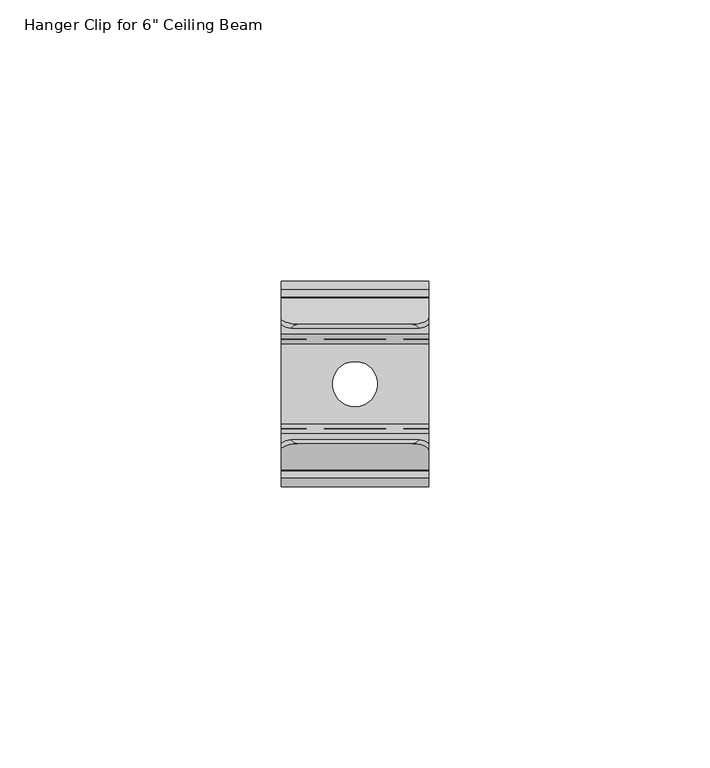
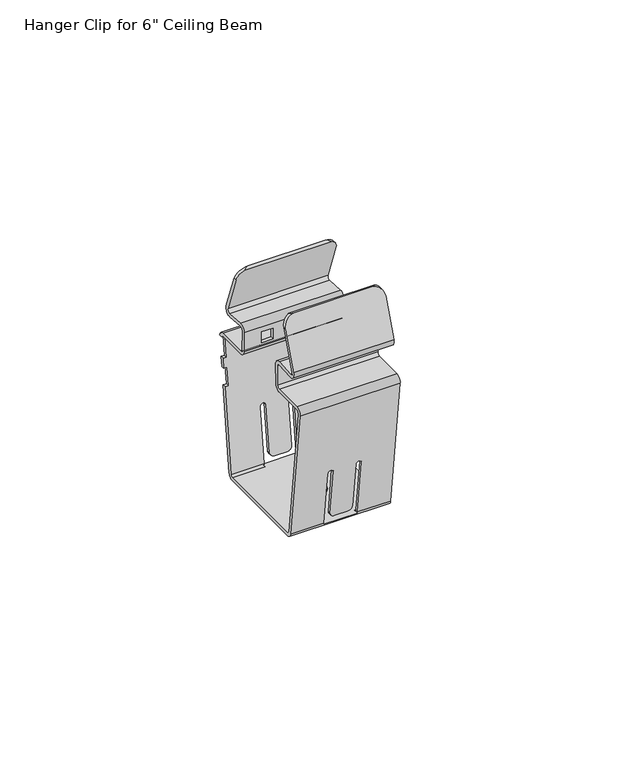
"""IFC4 building model written with IfcOpenShell, lengths in millimetres: proxy geometry."""

import ifcopenshell
import ifcopenshell.guid

model = None  # the IFC model being written
_history = None  # IfcOwnerHistory: only IFC2X3 demands one
_inside = {}  # id of a spatial element -> (the spatial element, [elements in it])
_under = {}  # id of a project, library or spatial element -> (it, [spatial elements below it])
_declared = {}  # id of a project -> (the project, [libraries it declares])
_typed = {}  # id of a type object -> (the type object, [elements of that type])
_made_of = {}  # id of a material, layer set ... -> (it, [elements and type objects made of it])


def new_model(schema):
    """Start an empty IFC model of exactly this schema.

    Asked for "IFC4X3", IfcOpenShell would pick the latest addendum, in which some entities
    have other attributes; the version numbers below select the first issue.
    IFC2X3 requires an IfcOwnerHistory on every rooted entity: one is made here for all.
    """
    global model, _history
    if schema == "IFC4X3":
        model = ifcopenshell.file(schema_version=(4, 3, 0, 0))
    else:
        model = ifcopenshell.file(schema=schema)
    _inside.clear()
    _under.clear()
    _declared.clear()
    _typed.clear()
    _made_of.clear()
    _history = None
    if model.schema == "IFC2X3":
        org = make("IfcOrganization", Name="unknown")
        user = make(
            "IfcPersonAndOrganization",
            ThePerson=make("IfcPerson", FamilyName="unknown"),
            TheOrganization=org,
        )
        app = make(
            "IfcApplication",
            ApplicationDeveloper=org,
            Version="unknown",
            ApplicationFullName="unknown",
            ApplicationIdentifier="unknown",
        )
        _history = make(
            "IfcOwnerHistory",
            OwningUser=user,
            OwningApplication=app,
            ChangeAction="ADDED",
            CreationDate=0,
        )
    return model


def make(cls, **values):
    """One entity of the class cls with the attributes given. An attribute that is None is left unset."""
    return model.create_entity(
        cls, **{name: value for name, value in values.items() if value is not None}
    )


def rooted(cls, **values):
    """An entity with a GlobalId (a new one), such as an element, a storey or a relation."""
    return make(cls, GlobalId=ifcopenshell.guid.new(), OwnerHistory=_history, **values)


def si_unit(unit_type, name, prefix=None):
    """IfcSIUnit, for example si_unit("LENGTHUNIT", "METRE", prefix="MILLI")."""
    return make("IfcSIUnit", UnitType=unit_type, Prefix=prefix, Name=name)


def assignment(units):
    """IfcUnitAssignment: the units of a project."""
    return None if units is None else make("IfcUnitAssignment", Units=units)


def point(xyz):
    """IfcCartesianPoint."""
    return None if xyz is None else make("IfcCartesianPoint", Coordinates=xyz)


def direction(xyz):
    """IfcDirection."""
    return None if xyz is None else make("IfcDirection", DirectionRatios=xyz)


def frame(location, z_axis=None, x_axis=None):
    """IfcAxis2Placement3D, a coordinate frame: its origin and axes. An axis left out is left unset."""
    return make(
        "IfcAxis2Placement3D",
        Location=point(location),
        Axis=direction(z_axis),
        RefDirection=direction(x_axis),
    )


def origin():
    """The frame at (0, 0, 0) with its axes left unset."""
    return frame((0.0, 0.0, 0.0))


def place(relative_to, where):
    """IfcLocalPlacement: puts the frame where relative to a parent placement (None: the world)."""
    return make(
        "IfcLocalPlacement", PlacementRelTo=relative_to, RelativePlacement=where
    )


def context(
    kind, dimensions, precision=None, world=None, true_north=None, identifier=None
):
    """IfcGeometricRepresentationContext, for example the 3D "Model" context."""
    return make(
        "IfcGeometricRepresentationContext",
        ContextIdentifier=identifier,
        ContextType=kind,
        CoordinateSpaceDimension=dimensions,
        Precision=precision,
        WorldCoordinateSystem=world,
        TrueNorth=true_north,
    )


def project(units=None, contexts=None):
    """IfcProject with its units and contexts."""
    return rooted(
        "IfcProject",
        Name="project",
        RepresentationContexts=contexts,
        UnitsInContext=assignment(units),
    )


def spatial(cls, under=None, at=None, **own):
    """A site, building, storey or space (cls), placed at a placement, below another one or the project."""
    s = rooted(cls, ObjectPlacement=at, **own)
    if under is not None:
        _under.setdefault(under.id(), (under, []))[1].append(s)
    return s


def polyline(points):
    """IfcPolyline through the points."""
    return make("IfcPolyline", Points=[point(p) for p in points])


def circle_curve(where, radius):
    """IfcCircle in the frame where."""
    return make("IfcCircle", Position=where, Radius=radius)


def ellipse_curve(where, semi_axis1, semi_axis2):
    """IfcEllipse in the frame where."""
    return make(
        "IfcEllipse", Position=where, SemiAxis1=semi_axis1, SemiAxis2=semi_axis2
    )


def shape(context_of_items, identifier, shape_type, items):
    """IfcShapeRepresentation: the items that make up one representation, for example the "Body"."""
    return make(
        "IfcShapeRepresentation",
        ContextOfItems=context_of_items,
        RepresentationIdentifier=identifier,
        RepresentationType=shape_type,
        Items=items,
    )


def source(mapping_origin, context_of_items, identifier, shape_type, items):
    """IfcRepresentationMap: a shape defined once, which mapped items show again and again."""
    return make(
        "IfcRepresentationMap",
        MappingOrigin=mapping_origin,
        MappedRepresentation=shape(context_of_items, identifier, shape_type, items),
    )


def transform(
    local_origin,
    x_axis=None,
    y_axis=None,
    z_axis=None,
    scale=None,
    scale2=None,
    scale3=None,
    uniform=True,
):
    """IfcCartesianTransformationOperator3D, or its non-uniform kind. x_axis, y_axis, z_axis: its Axis1, 2, 3."""
    if uniform:
        return make(
            "IfcCartesianTransformationOperator3D",
            Axis1=direction(x_axis),
            Axis2=direction(y_axis),
            LocalOrigin=point(local_origin),
            Scale=scale,
            Axis3=direction(z_axis),
        )
    return make(
        "IfcCartesianTransformationOperator3DnonUniform",
        Axis1=direction(x_axis),
        Axis2=direction(y_axis),
        LocalOrigin=point(local_origin),
        Scale=scale,
        Axis3=direction(z_axis),
        Scale2=scale2,
        Scale3=scale3,
    )


def mapped(mapping_source, mapping_target):
    """IfcMappedItem: shows the shape of a source again, moved by a transform."""
    return make(
        "IfcMappedItem", MappingSource=mapping_source, MappingTarget=mapping_target
    )


def made_of(thing, what):
    """Note that an element or type object is made of a material, layer set ...; save() writes the relation."""
    if what is not None:
        _made_of.setdefault(what.id(), (what, []))[1].append(thing)
    return thing


def element(
    cls,
    number,
    at=None,
    inside=None,
    cuts=None,
    type_object=None,
    material=None,
    context=None,
    identifier="Body",
    shape_type=None,
    held_by="IfcProductDefinitionShape",
    body=None,
    shapes=None,
    **own,
):
    """One element of the class cls, such as IfcWall. Its Tag is "e" and its number.

    at: its placement. inside: the storey or other place that contains it. cuts: it is an
    opening in that element (IfcRelVoidsElement). A single representation is given by context,
    identifier, shape_type and body (its items); several are given by shapes. held_by: the class
    of the entity that holds the representations. save() writes the other relations.
    """
    e = rooted(cls, Tag="e%d" % number, ObjectPlacement=at, **own)
    if body is not None:
        shapes = [shape(context, identifier, shape_type, body)]
    if shapes is not None:
        e.Representation = make(held_by, Representations=shapes)
    if inside is not None:
        _inside.setdefault(inside.id(), (inside, []))[1].append(e)
    if cuts is not None:
        rooted(
            "IfcRelVoidsElement", RelatingBuildingElement=cuts, RelatedOpeningElement=e
        )
    if type_object is not None:
        _typed.setdefault(type_object.id(), (type_object, []))[1].append(e)
    return made_of(e, material)


def aggregate(whole, parts):
    """IfcRelAggregates: a whole, such as a stair, and the parts it consists of."""
    return rooted("IfcRelAggregates", RelatingObject=whole, RelatedObjects=parts)


def save(model, path):
    """Write the relations noted so far, then the file.

    IfcRelAggregates (storeys below a building ...), IfcRelContainedInSpatialStructure (elements
    in a storey), IfcRelDefinesByType, IfcRelAssociatesMaterial and IfcRelDeclares: one each for
    every whole, place, type object, material and project.
    """
    for whole, parts in _under.values():
        aggregate(whole, parts)
    for where, things in _inside.values():
        rooted(
            "IfcRelContainedInSpatialStructure",
            RelatedElements=things,
            RelatingStructure=where,
        )
    for kind, things in _typed.values():
        rooted("IfcRelDefinesByType", RelatedObjects=things, RelatingType=kind)
    for what, things in _made_of.values():
        rooted("IfcRelAssociatesMaterial", RelatedObjects=things, RelatingMaterial=what)
    for by, libraries in _declared.values():
        rooted("IfcRelDeclares", RelatingContext=by, RelatedDefinitions=libraries)
    model.write(path)


def plane_surface(at):
    """IfcPlane: the flat surface through the origin of the frame at, square to its z axis."""
    return make("IfcPlane", Position=at)


def cylinder_surface(at, radius):
    """IfcCylindricalSurface: all points at the distance radius from the z axis of the frame at."""
    return make("IfcCylindricalSurface", Position=at, Radius=radius)


def revolved_surface(curve, axis_point, axis_direction):
    """IfcSurfaceOfRevolution: the curve turned about the line through axis_point along axis_direction."""
    return make(
        "IfcSurfaceOfRevolution",
        SweptCurve=make("IfcArbitraryOpenProfileDef", ProfileType="CURVE", Curve=curve),
        AxisPosition=make("IfcAxis1Placement", Location=point(axis_point), Axis=direction(axis_direction)),
    )


def advanced_brep(points, edges, surfaces, faces):
    """IfcAdvancedBrep: a solid bounded by faces that lie on surfaces and meet in shared edges.

    An edge is (start, end): straight between two places in points (the first is 0);
    or (start, end, curve); or (start, end, curve, False) where it runs against its curve.
    A face is (place in surfaces, loops), or (place, loops, False) where it looks against
    its surface's normal. A loop lists edges by number (the first is 1), with a minus sign
    where the edge is run from its end to its start. The first loop is the outer one.
    """
    corners = [point(p) for p in points]
    vertices = [make("IfcVertexPoint", VertexGeometry=c) for c in corners]
    made = []
    for start, end, *more in edges:
        made.append(
            make(
                "IfcEdgeCurve",
                EdgeStart=vertices[start],
                EdgeEnd=vertices[end],
                EdgeGeometry=more[0] if more else make("IfcPolyline", Points=[corners[start], corners[end]]),
                SameSense=more[1] if len(more) > 1 else True,
            )
        )
    hull = []
    for where, loops, *sense in faces:
        bounds = []
        for j, loop in enumerate(loops):
            ring = [make("IfcOrientedEdge", EdgeElement=made[abs(k) - 1], Orientation=k > 0) for k in loop]
            bounds.append(
                make(
                    "IfcFaceOuterBound" if j == 0 else "IfcFaceBound",
                    Bound=make("IfcEdgeLoop", EdgeList=ring),
                    Orientation=True,
                )
            )
        hull.append(make("IfcAdvancedFace", Bounds=bounds, FaceSurface=surfaces[where], SameSense=sense[0] if sense else True))
    return make("IfcAdvancedBrep", Outer=make("IfcClosedShell", CfsFaces=hull))


def proxy_47dfd072(model_context):
    return source(origin(), model_context, "Body", "AdvancedBrep", [
        advanced_brep(
        [(-0.045, 15.3451199, 234.6583087), (-0.045, 13.8049962, 232.6169039), (-0.045, 8.7938975, 232.9730228), (-0.045, 7.9779975, 232.199641), (-0.045, 8.0703061, 226.9112802), (-0.045, 8.8321901, 226.1625789), (-0.045, 16.7768681, 226.1625789), (-0.045, 18.2781782, 224.9005789), (-0.045, 17.4410608, 224.9005789), (-0.045, 16.7768681, 225.3525789), (-0.045, 8.8321901, 225.3525789), (-0.045, 7.2604295, 226.8971438), (-0.045, 7.1681208, 232.1855045), (-0.045, 8.8513162, 233.7809851), (-0.045, 13.8624149, 233.4248662), (-0.045, 14.5839689, 234.3812724), (-0.045, 10.8835423, 244.5481109), (-0.045, 11.7455263, 244.5481109), (-0.045, 13.944677, 189.067038), (-0.045, 12.5580901, 187.8402895), (-0.045, -12.5580901, 187.8402895), (-0.045, -13.944677, 189.067038), (-0.045, -18.2895084, 224.4528501), (-0.045, -16.7768681, 226.1625789), (-0.045, -8.8321901, 226.1625789), (-0.045, -8.0703061, 226.9112802), (-0.045, -7.9779975, 232.199641), (-0.045, -8.7938975, 232.9730228), (-0.045, -13.8049962, 232.6169039), (-0.045, -15.3451199, 234.6583087), (-0.045, -11.7455263, 244.5481109), (-0.045, -10.8835423, 244.5481109), (-0.045, -14.5839689, 234.3812724), (-0.045, -13.8624149, 233.4248662), (-0.045, -8.8513162, 233.7809851), (-0.045, -7.1681208, 232.1855045), (-0.045, -7.2604295, 226.8971438), (-0.045, -8.8321901, 225.3525789), (-0.045, -16.7768681, 225.3525789), (-0.045, -17.4855461, 224.5515642), (-0.045, -13.1407147, 189.1657522), (-0.045, -12.5580901, 188.6502895), (-0.045, 12.5580901, 188.6502895), (-0.045, 13.1407147, 189.1657522), (-0.045, 15.9322004, 211.9005789), (-0.045, 16.7482833, 211.9005789), (-0.045, 17.6522127, 219.2624925), (-0.045, 17.3299883, 216.6381859), (-0.045, 16.5139054, 216.6381859), (-0.045, 16.8361297, 219.2624925), (26.245, 14.5839689, 234.3812724), (26.245, 13.8624149, 233.4248662), (26.245, 8.8513162, 233.7809851), (26.245, 7.1681208, 232.1855045), (26.245, 7.2604295, 226.8971438), (26.245, 8.8321901, 225.3525789), (26.245, 16.7768681, 225.3525789), (26.245, 17.4410608, 224.9005789), (26.245, 18.2781782, 224.9005789), (26.245, 16.7768681, 226.1625789), (26.245, 8.8321901, 226.1625789), (26.245, 8.0703061, 226.9112802), (26.245, 7.9779975, 232.199641), (26.245, 8.7938975, 232.9730228), (26.245, 13.8049962, 232.6169039), (26.245, 15.3451199, 234.6583087), (26.245, 11.7455263, 244.5481109), (26.245, 10.8835423, 244.5481109), (26.245, 13.1407147, 189.1657522), (26.245, 12.5580901, 188.6502895), (26.245, -12.5580901, 188.6502895), (26.245, -13.1407147, 189.1657522), (26.245, -17.4855461, 224.5515642), (26.245, -16.7768681, 225.3525789), (26.245, -8.8321901, 225.3525789), (26.245, -7.2604295, 226.8971438), (26.245, -7.1681208, 232.1855045), (26.245, -8.8513162, 233.7809851), (26.245, -13.8624149, 233.4248662), (26.245, -14.5839689, 234.3812724), (26.245, -10.8835423, 244.5481109), (26.245, -11.7455263, 244.5481109), (26.245, -15.3451199, 234.6583087), (26.245, -13.8049962, 232.6169039), (26.245, -8.7938975, 232.9730228), (26.245, -7.9779975, 232.199641), (26.245, -8.0703061, 226.9112802), (26.245, -8.8321901, 226.1625789), (26.245, -16.7768681, 226.1625789), (26.245, -18.2895084, 224.4528501), (26.245, -13.944677, 189.067038), (26.245, -12.5580901, 187.8402895), (26.245, 12.5580901, 187.8402895), (26.245, 13.944677, 189.067038), (26.245, 16.7482833, 211.9005789), (26.245, 15.9322004, 211.9005789), (26.245, 16.8361297, 219.2624925), (26.245, 16.5139054, 216.6381859), (26.245, 17.3299883, 216.6381859), (26.245, 17.6522127, 219.2624925), (18.6649765, 8.0021925, 230.8135098), (18.6649765, 8.0545577, 227.8135098), (21.6649765, 8.0545577, 227.8135098), (21.6649765, 8.0021925, 230.8135098), (4.5350235, 8.0545577, 227.8135098), (7.5350235, 8.0545577, 227.8135098), (7.5350235, 8.0021925, 230.8135098), (4.5350235, 8.0021925, 230.8135098), (25.345, 18.2781782, 224.9005789), (25.345, 18.2895084, 224.4528501), (0.855, 18.2895084, 224.4528501), (0.855, 18.2781782, 224.9005789), (17.545, 13.944677, 189.067038), (17.545, 15.7693791, 203.9280438), (16.021, 15.7693791, 203.9280438), (16.021, 14.2478871, 191.5364861), (14.751, 14.0987644, 190.3219791), (11.449, 14.0987644, 190.3219791), (10.179, 14.2478871, 191.5364861), (10.179, 15.7683122, 203.9193544), (8.655, 15.7693791, 203.9280438), (8.655, 13.944677, 189.067038), (0.855, 16.7482833, 211.9005789), (0.855, 17.3299883, 216.6381859), (0.855, 17.6522127, 219.2624925), (25.345, 17.6522127, 219.2624925), (25.345, 17.3299883, 216.6381859), (25.345, 16.7482833, 211.9005789), (8.655, 13.8257809, 188.6502895), (17.545, 13.8257809, 188.6502895), (13.1, -4.0, 187.8402895), (13.1, 4.0, 187.8402895), (17.545, -13.944677, 189.067038), (17.545, -13.8257809, 188.6502895), (8.655, -13.8257809, 188.6502895), (8.655, -13.944677, 189.067038), (8.655, -15.7693791, 203.9280438), (10.179, -15.7683122, 203.9193544), (10.179, -14.2478871, 191.5364861), (11.449, -14.0987644, 190.3219791), (14.751, -14.0987644, 190.3219791), (16.021, -14.2478871, 191.5364861), (16.021, -15.7693791, 203.9280438), (17.545, -15.7693791, 203.9280438), (18.6649765, -8.0545577, 227.8135098), (18.6649765, -8.0021925, 230.8135098), (21.6649765, -8.0021925, 230.8135098), (21.6649765, -8.0545577, 227.8135098), (7.5350235, -8.0545577, 227.8135098), (4.5350235, -8.0545577, 227.8135098), (4.5350235, -8.0021925, 230.8135098), (7.5350235, -8.0021925, 230.8135098), (23.2552022, -10.6533985, 247.5487075), (2.9447978, -10.6533985, 247.5487075), (24.4428624, -9.8922474, 247.2716712), (1.7571376, -9.8922474, 247.2716712), (18.6649765, -7.1920691, 230.8135098), (18.6649765, -7.2444343, 227.8135098), (21.6649765, -7.2444343, 227.8135098), (21.6649765, -7.1920691, 230.8135098), (4.5350235, -7.2444343, 227.8135098), (7.5350235, -7.2444343, 227.8135098), (7.5350235, -7.1920691, 230.8135098), (4.5350235, -7.1920691, 230.8135098), (17.545, -13.1407147, 189.1657522), (17.545, -14.9532962, 203.9280438), (16.021, -14.9532962, 203.9280438), (16.021, -13.4318042, 191.5364861), (14.751, -13.2826815, 190.3219791), (11.449, -13.2826815, 190.3219791), (10.179, -13.4318042, 191.5364861), (10.179, -14.9522292, 203.9193544), (8.655, -14.9532962, 203.9280438), (8.655, -13.1407147, 189.1657522), (8.655, -12.5580901, 188.6502895), (17.545, -12.5580901, 188.6502895), (17.545, 12.5580901, 188.6502895), (8.655, 12.5580901, 188.6502895), (13.1, 4.0, 188.6502895), (13.1, -4.0, 188.6502895), (8.655, 13.1407147, 189.1657522), (17.545, 13.1407147, 189.1657522), (25.345, 15.9322004, 211.9005789), (25.345, 16.5139054, 216.6381859), (25.345, 16.8361297, 219.2624925), (25.345, 17.4855461, 224.5515642), (0.855, 17.4855461, 224.5515642), (0.855, 16.8361297, 219.2624925), (0.855, 16.5139054, 216.6381859), (0.855, 15.9322004, 211.9005789), (8.655, 14.9532962, 203.9280438), (10.179, 14.9522292, 203.9193544), (10.179, 13.4318042, 191.5364861), (11.449, 13.2826815, 190.3219791), (14.751, 13.2826815, 190.3219791), (16.021, 13.4318042, 191.5364861), (16.021, 14.9532962, 203.9280438), (17.545, 14.9532962, 203.9280438), (0.855, 17.4410608, 224.9005789), (25.345, 17.4410608, 224.9005789), (18.6649765, 7.2444343, 227.8135098), (18.6649765, 7.1920691, 230.8135098), (21.6649765, 7.1920691, 230.8135098), (21.6649765, 7.2444343, 227.8135098), (7.5350235, 7.2444343, 227.8135098), (4.5350235, 7.2444343, 227.8135098), (4.5350235, 7.1920691, 230.8135098), (7.5350235, 7.1920691, 230.8135098), (24.4428624, 9.8922474, 247.2716712), (1.7571376, 9.8922474, 247.2716712), (23.2552022, 10.6533985, 247.5487075), (2.9447978, 10.6533985, 247.5487075)],
        [
            (0, 1, circle_curve(frame((-0.045, 13.9130284, 234.13707), z_axis=(-1.0, 0.0, 0.0), x_axis=(0.0, -1.0, 0.0)), 1.524)),
            (1, 2),
            (2, 3, circle_curve(frame((-0.045, 8.7398814, 232.2129397), z_axis=(1.0, 0.0, 0.0), x_axis=(0.0, -1.0, 0.0)), 0.762)),
            (3, 4),
            (4, 5, circle_curve(frame((-0.045, 8.8321901, 226.9245789), z_axis=(1.0, 0.0, 0.0), x_axis=(0.0, -1.0, 0.0)), 0.762)),
            (5, 6),
            (6, 7, circle_curve(frame((-0.045, 16.7768681, 224.6385789), z_axis=(-1.0, 0.0, 0.0), x_axis=(0.0, -1.0, 0.0)), 1.524)),
            (7, 8),
            (8, 9, circle_curve(frame((-0.045, 16.7768681, 224.6385789), z_axis=(1.0, 0.0, 0.0), x_axis=(0.0, -1.0, 0.0)), 0.714)),
            (9, 10),
            (10, 11, circle_curve(frame((-0.045, 8.8321901, 226.9245789), z_axis=(-1.0, 0.0, 0.0), x_axis=(0.0, -1.0, 0.0)), 1.572)),
            (11, 12),
            (12, 13, circle_curve(frame((-0.045, 8.7398814, 232.2129397), z_axis=(-1.0, 0.0, 0.0), x_axis=(0.0, -1.0, 0.0)), 1.572)),
            (13, 14),
            (14, 15, circle_curve(frame((-0.045, 13.9130284, 234.13707), z_axis=(1.0, 0.0, 0.0), x_axis=(0.0, -1.0, 0.0)), 0.714)),
            (15, 16),
            (16, 17),
            (17, 0),
            (18, 19, circle_curve(frame((-0.045, 12.5580901, 189.2372895), z_axis=(-1.0, 0.0, 0.0), x_axis=(0.0, -1.0, 0.0)), 1.397)),
            (19, 20),
            (20, 21, circle_curve(frame((-0.045, -12.5580901, 189.2372895), z_axis=(-1.0, 0.0, 0.0), x_axis=(0.0, -1.0, 0.0)), 1.397)),
            (21, 22),
            (22, 23, circle_curve(frame((-0.045, -16.7768681, 224.6385789), z_axis=(-1.0, 0.0, 0.0), x_axis=(0.0, -1.0, 0.0)), 1.524)),
            (23, 24),
            (24, 25, circle_curve(frame((-0.045, -8.8321901, 226.9245789), z_axis=(1.0, 0.0, 0.0), x_axis=(0.0, -1.0, 0.0)), 0.762)),
            (25, 26),
            (26, 27, circle_curve(frame((-0.045, -8.7398814, 232.2129397), z_axis=(1.0, 0.0, 0.0), x_axis=(0.0, -1.0, 0.0)), 0.762)),
            (27, 28),
            (28, 29, circle_curve(frame((-0.045, -13.9130284, 234.13707), z_axis=(-1.0, 0.0, 0.0), x_axis=(0.0, -1.0, 0.0)), 1.524)),
            (29, 30),
            (30, 31),
            (31, 32),
            (32, 33, circle_curve(frame((-0.045, -13.9130284, 234.13707), z_axis=(1.0, 0.0, 0.0), x_axis=(0.0, -1.0, 0.0)), 0.714)),
            (33, 34),
            (34, 35, circle_curve(frame((-0.045, -8.7398814, 232.2129397), z_axis=(-1.0, 0.0, 0.0), x_axis=(0.0, -1.0, 0.0)), 1.572)),
            (35, 36),
            (36, 37, circle_curve(frame((-0.045, -8.8321901, 226.9245789), z_axis=(-1.0, 0.0, 0.0), x_axis=(0.0, -1.0, 0.0)), 1.572)),
            (37, 38),
            (38, 39, circle_curve(frame((-0.045, -16.7768681, 224.6385789), z_axis=(1.0, 0.0, 0.0), x_axis=(0.0, -1.0, 0.0)), 0.714)),
            (39, 40),
            (40, 41, circle_curve(frame((-0.045, -12.5580901, 189.2372895), z_axis=(1.0, 0.0, 0.0), x_axis=(0.0, -1.0, 0.0)), 0.587)),
            (41, 42),
            (42, 43, circle_curve(frame((-0.045, 12.5580901, 189.2372895), z_axis=(1.0, 0.0, 0.0), x_axis=(0.0, -1.0, 0.0)), 0.587)),
            (43, 44),
            (44, 45),
            (45, 18),
            (46, 47),
            (47, 48),
            (48, 49),
            (49, 46),
            (50, 51, circle_curve(frame((26.245, 13.9130284, 234.13707), z_axis=(-1.0, 0.0, 0.0), x_axis=(0.0, -1.0, 0.0)), 0.714)),
            (51, 52),
            (52, 53, circle_curve(frame((26.245, 8.7398814, 232.2129397), z_axis=(1.0, 0.0, 0.0), x_axis=(0.0, -1.0, 0.0)), 1.572)),
            (53, 54),
            (54, 55, circle_curve(frame((26.245, 8.8321901, 226.9245789), z_axis=(1.0, 0.0, 0.0), x_axis=(0.0, -1.0, 0.0)), 1.572)),
            (55, 56),
            (56, 57, circle_curve(frame((26.245, 16.7768681, 224.6385789), z_axis=(-1.0, 0.0, 0.0), x_axis=(0.0, -1.0, 0.0)), 0.714)),
            (57, 58),
            (58, 59, circle_curve(frame((26.245, 16.7768681, 224.6385789), z_axis=(1.0, 0.0, 0.0), x_axis=(0.0, -1.0, 0.0)), 1.524)),
            (59, 60),
            (60, 61, circle_curve(frame((26.245, 8.8321901, 226.9245789), z_axis=(-1.0, 0.0, 0.0), x_axis=(0.0, -1.0, 0.0)), 0.762)),
            (61, 62),
            (62, 63, circle_curve(frame((26.245, 8.7398814, 232.2129397), z_axis=(-1.0, 0.0, 0.0), x_axis=(0.0, -1.0, 0.0)), 0.762)),
            (63, 64),
            (64, 65, circle_curve(frame((26.245, 13.9130284, 234.13707), z_axis=(1.0, 0.0, 0.0), x_axis=(0.0, -1.0, 0.0)), 1.524)),
            (65, 66),
            (66, 67),
            (67, 50),
            (68, 69, circle_curve(frame((26.245, 12.5580901, 189.2372895), z_axis=(-1.0, 0.0, 0.0), x_axis=(0.0, -1.0, 0.0)), 0.587)),
            (69, 70),
            (70, 71, circle_curve(frame((26.245, -12.5580901, 189.2372895), z_axis=(-1.0, 0.0, 0.0), x_axis=(0.0, -1.0, 0.0)), 0.587)),
            (71, 72),
            (72, 73, circle_curve(frame((26.245, -16.7768681, 224.6385789), z_axis=(-1.0, 0.0, 0.0), x_axis=(0.0, -1.0, 0.0)), 0.714)),
            (73, 74),
            (74, 75, circle_curve(frame((26.245, -8.8321901, 226.9245789), z_axis=(1.0, 0.0, 0.0), x_axis=(0.0, -1.0, 0.0)), 1.572)),
            (75, 76),
            (76, 77, circle_curve(frame((26.245, -8.7398814, 232.2129397), z_axis=(1.0, 0.0, 0.0), x_axis=(0.0, -1.0, 0.0)), 1.572)),
            (77, 78),
            (78, 79, circle_curve(frame((26.245, -13.9130284, 234.13707), z_axis=(-1.0, 0.0, 0.0), x_axis=(0.0, -1.0, 0.0)), 0.714)),
            (79, 80),
            (80, 81),
            (81, 82),
            (82, 83, circle_curve(frame((26.245, -13.9130284, 234.13707), z_axis=(1.0, 0.0, 0.0), x_axis=(0.0, -1.0, 0.0)), 1.524)),
            (83, 84),
            (84, 85, circle_curve(frame((26.245, -8.7398814, 232.2129397), z_axis=(-1.0, 0.0, 0.0), x_axis=(0.0, -1.0, 0.0)), 0.762)),
            (85, 86),
            (86, 87, circle_curve(frame((26.245, -8.8321901, 226.9245789), z_axis=(-1.0, 0.0, 0.0), x_axis=(0.0, -1.0, 0.0)), 0.762)),
            (87, 88),
            (88, 89, circle_curve(frame((26.245, -16.7768681, 224.6385789), z_axis=(1.0, 0.0, 0.0), x_axis=(0.0, -1.0, 0.0)), 1.524)),
            (89, 90),
            (90, 91, circle_curve(frame((26.245, -12.5580901, 189.2372895), z_axis=(1.0, 0.0, 0.0), x_axis=(0.0, -1.0, 0.0)), 1.397)),
            (91, 92),
            (92, 93, circle_curve(frame((26.245, 12.5580901, 189.2372895), z_axis=(1.0, 0.0, 0.0), x_axis=(0.0, -1.0, 0.0)), 1.397)),
            (93, 94),
            (94, 95),
            (95, 68),
            (96, 97),
            (97, 98),
            (98, 99),
            (99, 96),
            (0, 65),
            (64, 1),
            (63, 2),
            (62, 3),
            (61, 4),
            (100, 101),
            (101, 102),
            (102, 103),
            (103, 100),
            (104, 105),
            (105, 106),
            (106, 107),
            (107, 104),
            (60, 5),
            (59, 6),
            (58, 108),
            (108, 109, circle_curve(frame((25.345, 16.7768681, 224.6385789), z_axis=(-1.0, 0.0, 0.0), x_axis=(0.0, -1.0, 0.0)), 1.524)),
            (109, 110),
            (110, 111, circle_curve(frame((0.855, 16.7768681, 224.6385789), z_axis=(1.0, 0.0, 0.0), x_axis=(0.0, -1.0, 0.0)), 1.524)),
            (111, 7),
            (93, 112),
            (112, 113),
            (113, 114, ellipse_curve(frame((16.783, 15.7688456, 203.9236991), z_axis=(0.0, -0.9925461516413259, 0.12186934340511611), x_axis=(0.0, 0.12186934340511688, 0.9925461516413258)), 0.767735, 0.7620124)),
            (114, 115),
            (115, 116, ellipse_curve(frame((14.7781403, 14.2513718, 191.5648665), z_axis=(0.0, 0.9925461516413259, -0.12186934340511611), x_axis=(0.0, -0.12186934340511688, -0.9925461516413258)), 1.2525198, 1.2431837)),
            (116, 117),
            (117, 118, ellipse_curve(frame((11.4218597, 14.2513718, 191.5648665), z_axis=(0.0, 0.9925461516413259, -0.12186934340511611), x_axis=(0.0, -0.12186934340511688, -0.9925461516413258)), 1.2525198, 1.2431837)),
            (118, 119),
            (119, 120, ellipse_curve(frame((9.417, 15.7688456, 203.9236991), z_axis=(0.0, -0.9925461516413259, 0.12186934340511611), x_axis=(0.0, 0.12186934340511688, 0.9925461516413258)), 0.767735, 0.7620124)),
            (120, 121),
            (121, 18),
            (45, 122),
            (122, 123),
            (123, 47),
            (46, 124),
            (124, 110),
            (109, 125),
            (125, 99),
            (98, 126),
            (126, 127),
            (127, 94),
            (121, 128, circle_curve(frame((8.655, 12.5580901, 189.2372895), z_axis=(-1.0, 0.0, 0.0), x_axis=(0.0, -1.0, 0.0)), 1.397)),
            (128, 129),
            (129, 112, circle_curve(frame((17.545, 12.5580901, 189.2372895), z_axis=(1.0, 0.0, 0.0), x_axis=(0.0, -1.0, 0.0)), 1.397)),
            (92, 19),
            (91, 20),
            (130, 131, circle_curve(frame((13.1, 0.0, 187.8402895), z_axis=(0.0, 0.0, 1.0), x_axis=(0.0, 1.0, 0.0)), 4.0)),
            (131, 130, circle_curve(frame((13.1, 0.0, 187.8402895), z_axis=(0.0, 0.0, 1.0), x_axis=(0.0, 1.0, 0.0)), 4.0)),
            (90, 132),
            (132, 133, circle_curve(frame((17.545, -12.5580901, 189.2372895), z_axis=(1.0, 0.0, 0.0), x_axis=(0.0, -1.0, 0.0)), 1.397)),
            (133, 134),
            (134, 135, circle_curve(frame((8.655, -12.5580901, 189.2372895), z_axis=(-1.0, 0.0, 0.0), x_axis=(0.0, -1.0, 0.0)), 1.397)),
            (135, 21),
            (135, 136),
            (136, 137, ellipse_curve(frame((9.417, -15.7688456, 203.9236991), z_axis=(0.0, 0.9925461516413222, 0.12186934340514596), x_axis=(0.0, 0.12186934340514537, -0.9925461516413223)), 0.767735, 0.7620124)),
            (137, 138),
            (138, 139, ellipse_curve(frame((11.4218597, -14.2513718, 191.5648665), z_axis=(0.0, -0.9925461516413222, -0.12186934340514596), x_axis=(0.0, -0.12186934340514537, 0.9925461516413223)), 1.2525198, 1.2431837)),
            (139, 140),
            (140, 141, ellipse_curve(frame((14.7781403, -14.2513718, 191.5648665), z_axis=(0.0, -0.9925461516413222, -0.12186934340514596), x_axis=(0.0, -0.12186934340514537, 0.9925461516413223)), 1.2525198, 1.2431837)),
            (141, 142),
            (142, 143, ellipse_curve(frame((16.783, -15.7688456, 203.9236991), z_axis=(0.0, 0.9925461516413222, 0.12186934340514596), x_axis=(0.0, 0.12186934340514537, -0.9925461516413223)), 0.767735, 0.7620124)),
            (143, 132),
            (89, 22),
            (88, 23),
            (87, 24),
            (86, 25),
            (85, 26),
            (144, 145),
            (145, 146),
            (146, 147),
            (147, 144),
            (148, 149),
            (149, 150),
            (150, 151),
            (151, 148),
            (84, 27),
            (83, 28),
            (82, 29),
            (81, 152, ellipse_curve(frame((23.1623511, -11.7752764, 244.4663734), z_axis=(0.0, -0.9396926207858924, 0.3420201433257125), x_axis=(0.0, -0.3420201433257127, -0.9396926207858924)), 3.2816394, 3.0837323)),
            (152, 153),
            (153, 30, ellipse_curve(frame((3.0376489, -11.7752764, 244.4663734), z_axis=(0.0, -0.9396926207858924, 0.3420201433257125), x_axis=(0.0, -0.3420201433257127, -0.9396926207858924)), 3.2816394, 3.0837323)),
            (152, 154, ellipse_curve(frame((23.1623511, -2.184755, 244.4663734), z_axis=(0.0, 0.34202014332569053, 0.9396926207859004), x_axis=(0.0, -0.9396926207859005, 0.3420201433256906)), 9.0162302, 3.0837323)),
            (154, 155),
            (155, 153, ellipse_curve(frame((3.0376489, -2.184755, 244.4663734), z_axis=(0.0, 0.34202014332569053, 0.9396926207859004), x_axis=(0.0, -0.9396926207859005, 0.3420201433256906)), 9.0162302, 3.0837323)),
            (79, 32),
            (31, 155, ellipse_curve(frame((3.0376489, -10.9132924, 244.4663734), z_axis=(0.0, 0.9396926207858953, -0.34202014332570446), x_axis=(0.0, -0.34202014332570485, -0.9396926207858952)), 3.2816394, 3.0837323)),
            (154, 80, ellipse_curve(frame((23.1623511, -10.9132924, 244.4663734), z_axis=(0.0, 0.9396926207858953, -0.34202014332570446), x_axis=(0.0, -0.34202014332570485, -0.9396926207858952)), 3.2816394, 3.0837323)),
            (78, 33),
            (77, 34),
            (76, 35),
            (75, 36),
            (156, 157),
            (157, 158),
            (158, 159),
            (159, 156),
            (160, 161),
            (161, 162),
            (162, 163),
            (163, 160),
            (74, 37),
            (73, 38),
            (72, 39),
            (71, 164),
            (164, 165),
            (165, 166, ellipse_curve(frame((16.783, -14.9527627, 203.9236991), z_axis=(0.0, -0.9925461516413229, -0.1218693434051409), x_axis=(0.0, 0.12186934340514041, -0.9925461516413229)), 0.767735, 0.7620124)),
            (166, 167),
            (167, 168, ellipse_curve(frame((14.7781403, -13.4352889, 191.5648665), z_axis=(0.0, 0.9925461516413229, 0.1218693434051409), x_axis=(0.0, -0.12186934340514041, 0.9925461516413229)), 1.2525198, 1.2431837)),
            (168, 169),
            (169, 170, ellipse_curve(frame((11.4218597, -13.4352889, 191.5648665), z_axis=(0.0, 0.9925461516413229, 0.1218693434051409), x_axis=(0.0, -0.12186934340514041, 0.9925461516413229)), 1.2525198, 1.2431837)),
            (170, 171),
            (171, 172, ellipse_curve(frame((9.417, -14.9527627, 203.9236991), z_axis=(0.0, -0.9925461516413229, -0.1218693434051409), x_axis=(0.0, 0.12186934340514041, -0.9925461516413229)), 0.767735, 0.7620124)),
            (172, 173),
            (173, 40),
            (173, 174, circle_curve(frame((8.655, -12.5580901, 189.2372895), z_axis=(1.0, 0.0, 0.0), x_axis=(0.0, -1.0, 0.0)), 0.587)),
            (174, 41),
            (70, 175),
            (175, 164, circle_curve(frame((17.545, -12.5580901, 189.2372895), z_axis=(-1.0, 0.0, 0.0), x_axis=(0.0, -1.0, 0.0)), 0.587)),
            (174, 134),
            (133, 175),
            (69, 176),
            (176, 129),
            (128, 177),
            (177, 42),
            (178, 179, circle_curve(frame((13.1, 0.0, 188.6502895), z_axis=(0.0, 0.0, -1.0), x_axis=(0.0, 1.0, 0.0)), 4.0)),
            (179, 178, circle_curve(frame((13.1, 0.0, 188.6502895), z_axis=(0.0, 0.0, -1.0), x_axis=(0.0, 1.0, 0.0)), 4.0)),
            (177, 180, circle_curve(frame((8.655, 12.5580901, 189.2372895), z_axis=(1.0, 0.0, 0.0), x_axis=(0.0, -1.0, 0.0)), 0.587)),
            (180, 43),
            (68, 181),
            (181, 176, circle_curve(frame((17.545, 12.5580901, 189.2372895), z_axis=(-1.0, 0.0, 0.0), x_axis=(0.0, -1.0, 0.0)), 0.587)),
            (95, 182),
            (182, 183),
            (183, 97),
            (96, 184),
            (184, 185),
            (185, 186),
            (186, 187),
            (187, 49),
            (48, 188),
            (188, 189),
            (189, 44),
            (180, 190),
            (190, 191, ellipse_curve(frame((9.417, 14.9527627, 203.9236991), z_axis=(0.0, 0.9925461516413253, -0.12186934340512122), x_axis=(0.0, 0.12186934340512089, 0.9925461516413253)), 0.767735, 0.7620124)),
            (191, 192),
            (192, 193, ellipse_curve(frame((11.4218597, 13.4352889, 191.5648665), z_axis=(0.0, -0.9925461516413253, 0.12186934340512122), x_axis=(0.0, -0.12186934340512089, -0.9925461516413253)), 1.2525198, 1.2431837)),
            (193, 194),
            (194, 195, ellipse_curve(frame((14.7781403, 13.4352889, 191.5648665), z_axis=(0.0, -0.9925461516413253, 0.12186934340512122), x_axis=(0.0, -0.12186934340512089, -0.9925461516413253)), 1.2525198, 1.2431837)),
            (195, 196),
            (196, 197, ellipse_curve(frame((16.783, 14.9527627, 203.9236991), z_axis=(0.0, 0.9925461516413253, -0.12186934340512122), x_axis=(0.0, 0.12186934340512089, 0.9925461516413253)), 0.767735, 0.7620124)),
            (197, 181),
            (56, 9),
            (8, 198),
            (198, 186, circle_curve(frame((0.855, 16.7768681, 224.6385789), z_axis=(-1.0, 0.0, 0.0), x_axis=(0.0, -1.0, 0.0)), 0.714)),
            (185, 199, circle_curve(frame((25.345, 16.7768681, 224.6385789), z_axis=(1.0, 0.0, 0.0), x_axis=(0.0, -1.0, 0.0)), 0.714)),
            (199, 57),
            (55, 10),
            (54, 11),
            (53, 12),
            (200, 201),
            (201, 202),
            (202, 203),
            (203, 200),
            (204, 205),
            (205, 206),
            (206, 207),
            (207, 204),
            (52, 13),
            (51, 14),
            (50, 15),
            (67, 208, ellipse_curve(frame((23.1623511, 10.9132924, 244.4663734), z_axis=(0.0, -0.9396926207858836, -0.3420201433257372), x_axis=(0.0, -0.3420201433257366, 0.9396926207858837)), 3.2816394, 3.0837323)),
            (208, 209),
            (209, 16, ellipse_curve(frame((3.0376489, 10.9132924, 244.4663734), z_axis=(0.0, -0.9396926207858836, -0.3420201433257372), x_axis=(0.0, -0.3420201433257366, 0.9396926207858837)), 3.2816394, 3.0837323)),
            (208, 210, ellipse_curve(frame((23.1623511, 2.184755, 244.4663734), z_axis=(0.0, -0.3420201433257092, 0.9396926207858937), x_axis=(0.0, -0.9396926207858938, -0.3420201433257092)), 9.0162302, 3.0837323)),
            (210, 211),
            (211, 209, ellipse_curve(frame((3.0376489, 2.184755, 244.4663734), z_axis=(0.0, -0.3420201433257092, 0.9396926207858937), x_axis=(0.0, -0.9396926207858938, -0.3420201433257092)), 9.0162302, 3.0837323)),
            (17, 211, ellipse_curve(frame((3.0376489, 11.7752764, 244.4663734), z_axis=(0.0, 0.9396926207858872, 0.3420201433257272), x_axis=(0.0, -0.3420201433257265, 0.9396926207858874)), 3.2816394, 3.0837323)),
            (210, 66, ellipse_curve(frame((23.1623511, 11.7752764, 244.4663734), z_axis=(0.0, 0.9396926207858872, 0.3420201433257272), x_axis=(0.0, -0.3420201433257265, 0.9396926207858874)), 3.2816394, 3.0837323)),
            (143, 165),
            (197, 113),
            (172, 136),
            (120, 190),
            (119, 191),
            (171, 137),
            (170, 138),
            (118, 192),
            (169, 139),
            (117, 193),
            (168, 140),
            (116, 194),
            (167, 141),
            (115, 195),
            (166, 142),
            (114, 196),
            (130, 179),
            (178, 131),
            (144, 157),
            (156, 145),
            (200, 101),
            (100, 201),
            (159, 146),
            (103, 202),
            (158, 147),
            (102, 203),
            (148, 161),
            (160, 149),
            (204, 105),
            (104, 205),
            (163, 150),
            (107, 206),
            (162, 151),
            (106, 207),
            (182, 127),
            (126, 183),
            (199, 108),
            (125, 184),
            (189, 122),
            (111, 198),
            (124, 187),
            (123, 188),
        ],
        [
            plane_surface(frame((-0.045, 12.3890284, 234.13707), z_axis=(-1.0, 0.0, 0.0), x_axis=(0.0, 0.0, 1.0))),
            plane_surface(frame((26.245, 12.3890284, 234.13707), z_axis=(1.0, 0.0, 0.0), x_axis=(0.0, 0.0, -1.0))),
            cylinder_surface(frame((26.245, 13.9130284, 234.13707), z_axis=(-1.0, 0.0, 0.0), x_axis=(0.0, -1.0, 0.0)), 1.524),
            plane_surface(frame((-0.045, 13.8049962, 232.6169039), z_axis=(0.0, -0.07088724967761441, -0.9974843346304461), x_axis=(1.0, 0.0, 0.0))),
            revolved_surface(polyline([(26.245, 7.977881399999999, 232.2129397), (-0.045000000000001705, 7.977881399999999, 232.2129397)]), (26.245, 8.7398814, 232.2129397), (1.0, 0.0, 0.0)),
            plane_surface(frame((-0.045, 7.9779975, 232.199641), z_axis=(0.0, 0.9998476951563915, 0.017452406437272774), x_axis=(1.0, 0.0, 0.0))),
            revolved_surface(polyline([(26.245, 8.0701901, 226.9245789), (-0.045000000000001705, 8.0701901, 226.9245789)]), (26.245, 8.8321901, 226.9245789), (1.0, 0.0, 0.0)),
            plane_surface(frame((-0.045, 8.8321901, 226.1625789), z_axis=(0.0, 0.0, 1.0), x_axis=(1.0, 0.0, 0.0))),
            cylinder_surface(frame((26.245, 16.7768681, 224.6385789), z_axis=(-1.0, 0.0, 0.0), x_axis=(0.0, -1.0, 0.0)), 1.524),
            plane_surface(frame((-0.045, 18.2895084, 224.4528501), z_axis=(0.0, 0.9925461516413259, -0.12186934340511611), x_axis=(1.0, 0.0, 0.0))),
            cylinder_surface(frame((26.245, 12.5580901, 189.2372895), z_axis=(-1.0, 0.0, 0.0), x_axis=(0.0, -1.0, 0.0)), 1.397),
            plane_surface(frame((-0.045, 12.5580901, 187.8402895), z_axis=(0.0, 0.0, -1.0), x_axis=(1.0, 0.0, 0.0))),
            cylinder_surface(frame((26.245, -12.5580901, 189.2372895), z_axis=(-1.0, 0.0, 0.0), x_axis=(0.0, -1.0, 0.0)), 1.397),
            plane_surface(frame((-0.045, -13.944677, 189.067038), z_axis=(0.0, -0.9925461516413222, -0.12186934340514596), x_axis=(1.0, 0.0, 0.0))),
            cylinder_surface(frame((26.245, -16.7768681, 224.6385789), z_axis=(-1.0, 0.0, 0.0), x_axis=(0.0, -1.0, 0.0)), 1.524),
            plane_surface(frame((-0.045, -16.7768681, 226.1625789), z_axis=(0.0, 0.0, 1.0), x_axis=(1.0, 0.0, 0.0))),
            revolved_surface(polyline([(26.245, -9.5941901, 226.9245789), (-0.045000000000001705, -9.5941901, 226.9245789)]), (26.245, -8.8321901, 226.9245789), (1.0, 0.0, 0.0)),
            plane_surface(frame((-0.045, -8.0703061, 226.9112802), z_axis=(0.0, -0.9998476951563917, 0.01745240643725538), x_axis=(1.0, 0.0, 0.0))),
            revolved_surface(polyline([(26.245, -9.5018814, 232.2129397), (-0.045000000000001705, -9.5018814, 232.2129397)]), (26.245, -8.7398814, 232.2129397), (1.0, 0.0, 0.0)),
            plane_surface(frame((-0.045, -8.7938975, 232.9730228), z_axis=(0.0, 0.07088724967755075, -0.9974843346304505), x_axis=(1.0, 0.0, 0.0))),
            cylinder_surface(frame((26.245, -13.9130284, 234.13707), z_axis=(-1.0, 0.0, 0.0), x_axis=(0.0, -1.0, 0.0)), 1.524),
            plane_surface(frame((-0.045, -15.3451199, 234.6583087), z_axis=(0.0, -0.9396926207858924, 0.3420201433257125), x_axis=(1.0, 0.0, 0.0))),
            plane_surface(frame((-0.045, -10.6533985, 247.5487075), z_axis=(0.0, 0.34202014332569053, 0.9396926207859004), x_axis=(1.0, 0.0, 0.0))),
            plane_surface(frame((-0.045, -9.8922474, 247.2716712), z_axis=(0.0, 0.9396926207858953, -0.34202014332570446), x_axis=(1.0, 0.0, 0.0))),
            revolved_surface(polyline([(26.245, -14.6270284, 234.13707), (-0.045000000000001705, -14.6270284, 234.13707)]), (26.245, -13.9130284, 234.13707), (1.0, 0.0, 0.0)),
            plane_surface(frame((-0.045, -13.8624149, 233.4248662), z_axis=(0.0, -0.07088724967764339, 0.997484334630444), x_axis=(1.0, 0.0, 0.0))),
            cylinder_surface(frame((26.245, -8.7398814, 232.2129397), z_axis=(-1.0, 0.0, 0.0), x_axis=(0.0, -1.0, 0.0)), 1.572),
            plane_surface(frame((-0.045, -7.1681208, 232.1855045), z_axis=(0.0, 0.9998476951563919, -0.017452406437247388), x_axis=(1.0, 0.0, 0.0))),
            cylinder_surface(frame((26.245, -8.8321901, 226.9245789), z_axis=(-1.0, 0.0, 0.0), x_axis=(0.0, -1.0, 0.0)), 1.572),
            plane_surface(frame((-0.045, -8.8321901, 225.3525789), z_axis=(0.0, 0.0, -1.0), x_axis=(1.0, 0.0, 0.0))),
            revolved_surface(polyline([(26.245, -17.4908681, 224.6385789), (-0.045000000000001705, -17.4908681, 224.6385789)]), (26.245, -16.7768681, 224.6385789), (1.0, 0.0, 0.0)),
            plane_surface(frame((-0.045, -17.4855461, 224.5515642), z_axis=(0.0, 0.9925461516413229, 0.1218693434051409), x_axis=(1.0, 0.0, 0.0))),
            revolved_surface(polyline([(8.654999999999998, -13.145090099999999, 189.2372895), (-0.045000000000001705, -13.145090099999999, 189.2372895)]), (26.245, -12.5580901, 189.2372895), (1.0, 0.0, 0.0)),
            revolved_surface(polyline([(26.245, -13.145090099999999, 189.2372895), (17.545, -13.145090099999999, 189.2372895)]), (26.245, -12.5580901, 189.2372895), (1.0, 0.0, 0.0)),
            plane_surface(frame((-0.045, -12.5580901, 188.6502895), z_axis=(0.0, 0.0, 1.0), x_axis=(1.0, 0.0, 0.0))),
            revolved_surface(polyline([(8.654999999999998, 11.9710901, 189.2372895), (-0.045000000000001705, 11.9710901, 189.2372895)]), (26.245, 12.5580901, 189.2372895), (1.0, 0.0, 0.0)),
            revolved_surface(polyline([(26.245, 11.9710901, 189.2372895), (17.545, 11.9710901, 189.2372895)]), (26.245, 12.5580901, 189.2372895), (1.0, 0.0, 0.0)),
            plane_surface(frame((-0.045, 13.1407147, 189.1657522), z_axis=(0.0, -0.9925461516413253, 0.12186934340512122), x_axis=(1.0, 0.0, 0.0))),
            revolved_surface(polyline([(26.245, 16.062868100000003, 224.6385789), (-0.045000000000001705, 16.062868100000003, 224.6385789)]), (26.245, 16.7768681, 224.6385789), (1.0, 0.0, 0.0)),
            plane_surface(frame((-0.045, 16.7768681, 225.3525789), z_axis=(0.0, 0.0, -1.0), x_axis=(1.0, 0.0, 0.0))),
            cylinder_surface(frame((26.245, 8.8321901, 226.9245789), z_axis=(-1.0, 0.0, 0.0), x_axis=(0.0, -1.0, 0.0)), 1.572),
            plane_surface(frame((-0.045, 7.2604295, 226.8971438), z_axis=(0.0, -0.9998476951563913, -0.017452406437280795), x_axis=(1.0, 0.0, 0.0))),
            cylinder_surface(frame((26.245, 8.7398814, 232.2129397), z_axis=(-1.0, 0.0, 0.0), x_axis=(0.0, -1.0, 0.0)), 1.572),
            plane_surface(frame((-0.045, 8.8513162, 233.7809851), z_axis=(0.0, 0.07088724967752064, 0.9974843346304527), x_axis=(1.0, 0.0, 0.0))),
            revolved_surface(polyline([(26.245, 13.1990284, 234.13707), (-0.045000000000001705, 13.1990284, 234.13707)]), (26.245, 13.9130284, 234.13707), (1.0, 0.0, 0.0)),
            plane_surface(frame((-0.045, 14.5839689, 234.3812724), z_axis=(0.0, -0.9396926207858836, -0.3420201433257372), x_axis=(1.0, 0.0, 0.0))),
            plane_surface(frame((-0.045, 9.8922474, 247.2716712), z_axis=(0.0, -0.3420201433257092, 0.9396926207858937), x_axis=(1.0, 0.0, 0.0))),
            plane_surface(frame((-0.045, 10.6533985, 247.5487075), z_axis=(0.0, 0.9396926207858872, 0.3420201433257272), x_axis=(1.0, 0.0, 0.0))),
            cylinder_surface(frame((23.1623511, -16.0, 244.4663734), z_axis=(0.0, -1.0000000000000002, 0.0), x_axis=(-0.030109977488837304, 0.0, 0.9995465918383304)), 3.0837323),
            cylinder_surface(frame((3.0376489, 0.0, 244.4663734), z_axis=(0.0, -1.0, 0.0), x_axis=(-0.999486511466432, 0.0, 0.032042368774203196)), 3.0837323),
            plane_surface(frame((17.545, 16.0, 203.9280438), z_axis=(-1.0, 0.0, 0.0), x_axis=(0.0, -1.0, 0.0))),
            plane_surface(frame((8.655, 16.0, 188.6502895), z_axis=(1.0, 0.0, 0.0), x_axis=(0.0, -1.0, 0.0))),
            revolved_surface(polyline([(10.179000014077427, 15.862408960359128, 203.9193544136178), (10.179000014077427, 14.859199339640869, 203.9193544136178)]), (9.417, 0.0, 203.9236991), (0.0, 1.0, 0.0)),
            revolved_surface(polyline([(10.179000014077427, -14.859199339640854, 203.9193544136178), (10.179000014077427, -15.86240896035915, 203.9193544136178)]), (9.417, 0.0, 203.9236991), (0.0, 1.0, 0.0)),
            plane_surface(frame((10.179, 16.0, 203.9193544), z_axis=(-1.0, 0.0, 0.0), x_axis=(0.0, -1.0, 0.0))),
            cylinder_surface(frame((11.4218597, 0.0, 191.5648665), z_axis=(0.0, -1.0000000000000002, 0.0), x_axis=(0.021831275083267855, 0.0, -0.9997616693133614)), 1.2431837),
            plane_surface(frame((11.449, 16.0, 190.3219791), z_axis=(0.0, 0.0, -1.0), x_axis=(0.0, -1.0, 0.0))),
            cylinder_surface(frame((14.7781403, 0.0, 191.5648665), z_axis=(0.0, -1.0, 0.0), x_axis=(0.9997393893428932, 0.0, -0.022828784380667683)), 1.2431837),
            plane_surface(frame((16.021, 16.0, 191.5364861), z_axis=(1.0, 0.0, 0.0), x_axis=(0.0, -1.0, 0.0))),
            revolved_surface(polyline([(17.54500001407743, -14.859199339640854, 203.92804378638218), (17.54500001407743, -15.86240896035915, 203.92804378638218)]), (16.783, 0.0, 203.9236991), (0.0, 1.0, 0.0)),
            revolved_surface(polyline([(17.54500001407743, 15.862408960359128, 203.92804378638218), (17.54500001407743, 14.859199339640869, 203.92804378638218)]), (16.783, 0.0, 203.9236991), (0.0, 1.0, 0.0)),
            revolved_surface(polyline([(13.1, 4.0, 188.6502895), (13.1, 4.0, 187.8402895)]), (13.1, 0.0, 182.8402895), (0.0, 0.0, 1.0)),
            plane_surface(frame((18.6649765, 9.0, 227.8135098), z_axis=(1.0, 0.0, 0.0), x_axis=(0.0, -1.0, 0.0))),
            plane_surface(frame((18.6649765, 9.0, 230.8135098), z_axis=(0.0, 0.0, -1.0), x_axis=(0.0, -1.0, 0.0))),
            plane_surface(frame((21.6649765, 9.0, 230.8135098), z_axis=(-1.0, 0.0, 0.0), x_axis=(0.0, -1.0, 0.0))),
            plane_surface(frame((21.6649765, 9.0, 227.8135098), z_axis=(0.0, 0.0, 1.0), x_axis=(0.0, -1.0, 0.0))),
            plane_surface(frame((7.5350235, 9.0, 227.8135098), z_axis=(0.0, 0.0, 1.0), x_axis=(0.0, -1.0, 0.0))),
            plane_surface(frame((4.5350235, 9.0, 227.8135098), z_axis=(1.0, 0.0, 0.0), x_axis=(0.0, -1.0, 0.0))),
            plane_surface(frame((4.5350235, 9.0, 230.8135098), z_axis=(0.0, 0.0, -1.0), x_axis=(0.0, -1.0, 0.0))),
            plane_surface(frame((7.5350235, 9.0, 230.8135098), z_axis=(-1.0, 0.0, 0.0), x_axis=(0.0, -1.0, 0.0))),
            plane_surface(frame((25.345, 19.0, 211.9005789), z_axis=(1.0, 0.0, 0.0), x_axis=(0.0, -1.0, 0.0))),
            plane_surface(frame((25.345, 19.0, 224.9005789), z_axis=(0.0, 0.0, -1.0), x_axis=(0.0, -1.0, 0.0))),
            plane_surface(frame((27.757876, 19.0, 211.9005789), z_axis=(0.0, 0.0, 1.0), x_axis=(0.0, -1.0, 0.0))),
            plane_surface(frame((25.345, 19.0, 216.6381859), z_axis=(0.0, 0.0, -1.0), x_axis=(0.0, -1.0, 0.0))),
            plane_surface(frame((26.245, 19.0, 219.2624925), z_axis=(0.0, 0.0, 1.0), x_axis=(0.0, -1.0, 0.0))),
            plane_surface(frame((25.345, 19.0, 219.2624925), z_axis=(1.0, 0.0, 0.0), x_axis=(0.0, -1.0, 0.0))),
            plane_surface(frame((0.855, 19.0, 211.9005789), z_axis=(0.0, 0.0, 1.0), x_axis=(0.0, -1.0, 0.0))),
            plane_surface(frame((-1.557876, 19.0, 224.9005789), z_axis=(0.0, 0.0, -1.0), x_axis=(0.0, -1.0, 0.0))),
            plane_surface(frame((0.855, 19.0, 224.9005789), z_axis=(-1.0, 0.0, 0.0), x_axis=(0.0, -1.0, 0.0))),
            plane_surface(frame((0.855, 19.0, 219.2624925), z_axis=(0.0, 0.0, 1.0), x_axis=(0.0, -1.0, 0.0))),
            plane_surface(frame((-0.045, 19.0, 216.6381859), z_axis=(0.0, 0.0, -1.0), x_axis=(0.0, -1.0, 0.0))),
            plane_surface(frame((0.855, 19.0, 216.6381859), z_axis=(-1.0, 0.0, 0.0), x_axis=(0.0, -1.0, 0.0))),
        ],
        [
            (0, [[1, 2, 3, 4, 5, 6, 7, 8, 9, 10, 11, 12, 13, 14, 15, 16, 17, 18]]),
            (0, [[19, 20, 21, 22, 23, 24, 25, 26, 27, 28, 29, 30, 31, 32, 33, 34, 35, 36, 37, 38, 39, 40, 41, 42, 43, 44, 45, 46]]),
            (0, [[47, 48, 49, 50]]),
            (1, [[51, 52, 53, 54, 55, 56, 57, 58, 59, 60, 61, 62, 63, 64, 65, 66, 67, 68]]),
            (1, [[69, 70, 71, 72, 73, 74, 75, 76, 77, 78, 79, 80, 81, 82, 83, 84, 85, 86, 87, 88, 89, 90, 91, 92, 93, 94, 95, 96]]),
            (1, [[97, 98, 99, 100]]),
            (2, [[-1, 101, -65, 102]]),
            (3, [[-2, -102, -64, 103]]),
            (4, [[-3, -103, -63, 104]]),
            (5, [[-4, -104, -62, 105], [106, 107, 108, 109], [110, 111, 112, 113]]),
            (6, [[-5, -105, -61, 114]]),
            (7, [[-6, -114, -60, 115]]),
            (8, [[-115, -59, 116, 117, 118, 119, 120, -7]]),
            (9, [[121, 122, 123, 124, 125, 126, 127, 128, 129, 130, 131, -46, 132, 133, 134, -47, 135, 136, -118, 137, 138, -99, 139, 140, 141, -94]]),
            (10, [[-19, -131, 142, 143, 144, -121, -93, 145]]),
            (11, [[-20, -145, -92, 146], [147, 148]]),
            (12, [[-21, -146, -91, 149, 150, 151, 152, 153]]),
            (13, [[-22, -153, 154, 155, 156, 157, 158, 159, 160, 161, 162, -149, -90, 163]]),
            (14, [[-23, -163, -89, 164]]),
            (15, [[-24, -164, -88, 165]]),
            (16, [[-25, -165, -87, 166]]),
            (17, [[-26, -166, -86, 167], [168, 169, 170, 171], [172, 173, 174, 175]]),
            (18, [[-27, -167, -85, 176]]),
            (19, [[-28, -176, -84, 177]]),
            (20, [[-29, -177, -83, 178]]),
            (21, [[-178, -82, 179, 180, 181, -30]]),
            (22, [[-180, 182, 183, 184]]),
            (23, [[185, -32, 186, -183, 187, -80]]),
            (24, [[-33, -185, -79, 188]]),
            (25, [[-34, -188, -78, 189]]),
            (26, [[-35, -189, -77, 190]]),
            (27, [[-36, -190, -76, 191], [192, 193, 194, 195], [196, 197, 198, 199]]),
            (28, [[-37, -191, -75, 200]]),
            (29, [[-38, -200, -74, 201]]),
            (30, [[-39, -201, -73, 202]]),
            (31, [[-40, -202, -72, 203, 204, 205, 206, 207, 208, 209, 210, 211, 212, 213]]),
            (32, [[-41, -213, 214, 215]]),
            (33, [[-71, 216, 217, -203]]),
            (34, [[-42, -215, 218, -151, 219, -216, -70, 220, 221, -143, 222, 223], [224, 225]]),
            (35, [[-43, -223, 226, 227]]),
            (36, [[-69, 228, 229, -220]]),
            (37, [[-228, -96, 230, 231, 232, -97, 233, 234, 235, 236, 237, -49, 238, 239, 240, -44, -227, 241, 242, 243, 244, 245, 246, 247, 248, 249]]),
            (38, [[250, -9, 251, 252, -235, 253, 254, -57]]),
            (39, [[-10, -250, -56, 255]]),
            (40, [[-11, -255, -55, 256]]),
            (41, [[-12, -256, -54, 257], [258, 259, 260, 261], [262, 263, 264, 265]]),
            (42, [[-13, -257, -53, 266]]),
            (43, [[-14, -266, -52, 267]]),
            (44, [[-15, -267, -51, 268]]),
            (45, [[-268, -68, 269, 270, 271, -16]]),
            (46, [[-270, 272, 273, 274]]),
            (47, [[-101, -18, 275, -273, 276, -66]]),
            (48, [[-67, -276, -272, -269]]),
            (48, [[-81, -187, -182, -179]]),
            (49, [[-17, -271, -274, -275]]),
            (49, [[-31, -181, -184, -186]]),
            (50, [[277, -204, -217, -219, -150, -162]]),
            (50, [[278, -122, -144, -221, -229, -249]]),
            (51, [[-218, -214, -212, 279, -154, -152]]),
            (51, [[-222, -142, -130, 280, -241, -226]]),
            (52, [[-280, -129, 281, -242]]),
            (53, [[-279, -211, 282, -155]]),
            (54, [[-282, -210, 283, -156]]),
            (54, [[-281, -128, 284, -243]]),
            (55, [[-283, -209, 285, -157]]),
            (55, [[-284, -127, 286, -244]]),
            (56, [[-285, -208, 287, -158]]),
            (56, [[-286, -126, 288, -245]]),
            (57, [[-287, -207, 289, -159]]),
            (57, [[-288, -125, 290, -246]]),
            (58, [[-289, -206, 291, -160]]),
            (58, [[-290, -124, 292, -247]]),
            (59, [[-277, -161, -291, -205]]),
            (60, [[-278, -248, -292, -123]]),
            (61, [[293, -224, 294, -147]]),
            (61, [[-293, -148, -294, -225]]),
            (62, [[295, -192, 296, -168]]),
            (62, [[297, -106, 298, -258]]),
            (63, [[-296, -195, 299, -169]]),
            (63, [[-298, -109, 300, -259]]),
            (64, [[-299, -194, 301, -170]]),
            (64, [[-300, -108, 302, -260]]),
            (65, [[-295, -171, -301, -193]]),
            (65, [[-297, -261, -302, -107]]),
            (66, [[303, -196, 304, -172]]),
            (66, [[305, -110, 306, -262]]),
            (67, [[-304, -199, 307, -173]]),
            (67, [[-306, -113, 308, -263]]),
            (68, [[-307, -198, 309, -174]]),
            (68, [[-308, -112, 310, -264]]),
            (69, [[-303, -175, -309, -197]]),
            (69, [[-305, -265, -310, -111]]),
            (70, [[311, -140, 312, -231]]),
            (71, [[313, -116, -58, -254]]),
            (72, [[-311, -230, -95, -141]]),
            (73, [[-312, -139, -98, -232]]),
            (74, [[314, -233, -100, -138]]),
            (75, [[-313, -253, -234, -314, -137, -117]]),
            (76, [[315, -132, -45, -240]]),
            (77, [[316, -251, -8, -120]]),
            (78, [[-316, -119, -136, 317, -236, -252]]),
            (79, [[-317, -135, -50, -237]]),
            (80, [[318, -238, -48, -134]]),
            (81, [[-315, -239, -318, -133]]),
        ],
    ),
    ])


if __name__ == "__main__":
    model = new_model("IFC4")
    model_context = context("Model", 3, world=origin())
    ifc_project = project(units=[si_unit("LENGTHUNIT", "METRE", prefix="MILLI")], contexts=[model_context])
    site = spatial("IfcSite", under=ifc_project)
    building = spatial("IfcBuilding", under=site)
    placement = place(None, origin())
    proxy_shape = proxy_47dfd072(model_context)
    element("IfcBuildingElementProxy", 1, Name="Hanger Clip for 6\" Ceiling Beam", ObjectType="Hanger Clip for 6\" Ceiling Beam", at=placement, inside=building, context=model_context, shape_type="MappedRepresentation", body=[
        mapped(proxy_shape, transform((0.0, 0.0, 0.0), x_axis=(1.0, 0.0, 0.0), y_axis=(0.0, 1.0, 0.0), z_axis=(0.0, 0.0, 1.0))),
    ])
    save(model, "model.ifc")
